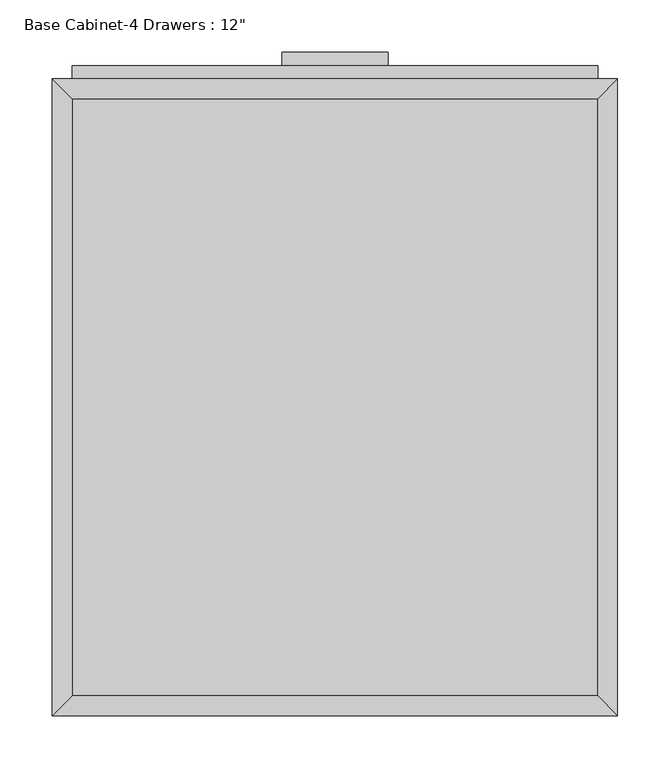
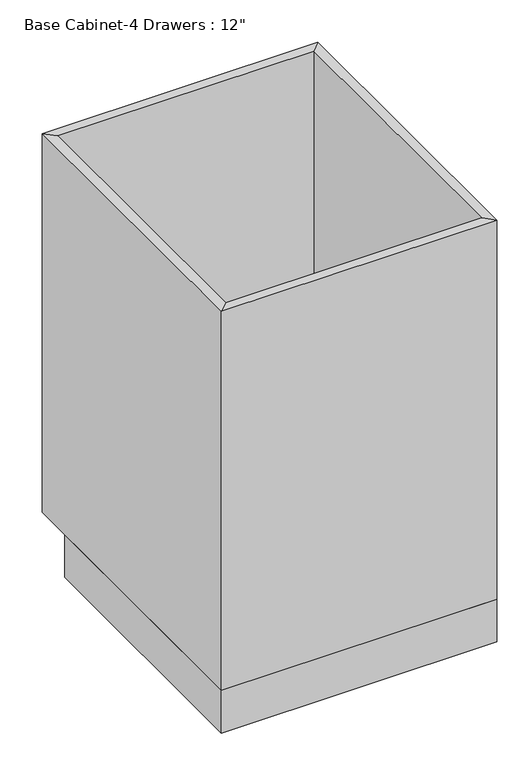
"""IFC4 building model written with IfcOpenShell, lengths in millimetres: furniture geometry."""

import ifcopenshell
import ifcopenshell.guid

model = None  # the IFC model being written
_history = None  # IfcOwnerHistory: only IFC2X3 demands one
_inside = {}  # id of a spatial element -> (the spatial element, [elements in it])
_under = {}  # id of a project, library or spatial element -> (it, [spatial elements below it])
_declared = {}  # id of a project -> (the project, [libraries it declares])
_typed = {}  # id of a type object -> (the type object, [elements of that type])
_made_of = {}  # id of a material, layer set ... -> (it, [elements and type objects made of it])


def new_model(schema):
    """Start an empty IFC model of exactly this schema.

    Asked for "IFC4X3", IfcOpenShell would pick the latest addendum, in which some entities
    have other attributes; the version numbers below select the first issue.
    IFC2X3 requires an IfcOwnerHistory on every rooted entity: one is made here for all.
    """
    global model, _history
    if schema == "IFC4X3":
        model = ifcopenshell.file(schema_version=(4, 3, 0, 0))
    else:
        model = ifcopenshell.file(schema=schema)
    _inside.clear()
    _under.clear()
    _declared.clear()
    _typed.clear()
    _made_of.clear()
    _history = None
    if model.schema == "IFC2X3":
        org = make("IfcOrganization", Name="unknown")
        user = make(
            "IfcPersonAndOrganization",
            ThePerson=make("IfcPerson", FamilyName="unknown"),
            TheOrganization=org,
        )
        app = make(
            "IfcApplication",
            ApplicationDeveloper=org,
            Version="unknown",
            ApplicationFullName="unknown",
            ApplicationIdentifier="unknown",
        )
        _history = make(
            "IfcOwnerHistory",
            OwningUser=user,
            OwningApplication=app,
            ChangeAction="ADDED",
            CreationDate=0,
        )
    return model


def make(cls, **values):
    """One entity of the class cls with the attributes given. An attribute that is None is left unset."""
    return model.create_entity(
        cls, **{name: value for name, value in values.items() if value is not None}
    )


def rooted(cls, **values):
    """An entity with a GlobalId (a new one), such as an element, a storey or a relation."""
    return make(cls, GlobalId=ifcopenshell.guid.new(), OwnerHistory=_history, **values)


def si_unit(unit_type, name, prefix=None):
    """IfcSIUnit, for example si_unit("LENGTHUNIT", "METRE", prefix="MILLI")."""
    return make("IfcSIUnit", UnitType=unit_type, Prefix=prefix, Name=name)


def assignment(units):
    """IfcUnitAssignment: the units of a project."""
    return None if units is None else make("IfcUnitAssignment", Units=units)


def point(xyz):
    """IfcCartesianPoint."""
    return None if xyz is None else make("IfcCartesianPoint", Coordinates=xyz)


def direction(xyz):
    """IfcDirection."""
    return None if xyz is None else make("IfcDirection", DirectionRatios=xyz)


def frame(location, z_axis=None, x_axis=None):
    """IfcAxis2Placement3D, a coordinate frame: its origin and axes. An axis left out is left unset."""
    return make(
        "IfcAxis2Placement3D",
        Location=point(location),
        Axis=direction(z_axis),
        RefDirection=direction(x_axis),
    )


def origin():
    """The frame at (0, 0, 0) with its axes left unset."""
    return frame((0.0, 0.0, 0.0))


def origin_with_axes():
    """The frame at (0, 0, 0) with the z axis (0, 0, 1) and the x axis (1, 0, 0) written out."""
    return frame((0.0, 0.0, 0.0), z_axis=(0.0, 0.0, 1.0), x_axis=(1.0, 0.0, 0.0))


def place(relative_to, where):
    """IfcLocalPlacement: puts the frame where relative to a parent placement (None: the world)."""
    return make(
        "IfcLocalPlacement", PlacementRelTo=relative_to, RelativePlacement=where
    )


def context(
    kind, dimensions, precision=None, world=None, true_north=None, identifier=None
):
    """IfcGeometricRepresentationContext, for example the 3D "Model" context."""
    return make(
        "IfcGeometricRepresentationContext",
        ContextIdentifier=identifier,
        ContextType=kind,
        CoordinateSpaceDimension=dimensions,
        Precision=precision,
        WorldCoordinateSystem=world,
        TrueNorth=true_north,
    )


def project(units=None, contexts=None):
    """IfcProject with its units and contexts."""
    return rooted(
        "IfcProject",
        Name="project",
        RepresentationContexts=contexts,
        UnitsInContext=assignment(units),
    )


def spatial(cls, under=None, at=None, **own):
    """A site, building, storey or space (cls), placed at a placement, below another one or the project."""
    s = rooted(cls, ObjectPlacement=at, **own)
    if under is not None:
        _under.setdefault(under.id(), (under, []))[1].append(s)
    return s


def polyline(points):
    """IfcPolyline through the points."""
    return make("IfcPolyline", Points=[point(p) for p in points])


def outline(outer, holes=None, kind="AREA"):
    """IfcArbitraryClosedProfileDef: a profile drawn as a closed curve; with holes, ...WithVoids."""
    if holes is None:
        return make("IfcArbitraryClosedProfileDef", ProfileType=kind, OuterCurve=outer)
    return make(
        "IfcArbitraryProfileDefWithVoids",
        ProfileType=kind,
        OuterCurve=outer,
        InnerCurves=holes,
    )


def extrude(swept, where, along, depth):
    """IfcExtrudedAreaSolid: the profile swept, set in the frame where, extruded along a direction by depth."""
    return make(
        "IfcExtrudedAreaSolid",
        SweptArea=swept,
        Position=where,
        ExtrudedDirection=direction(along),
        Depth=depth,
    )


def faces_of(points, faces, orient=None, outer=None):
    """IfcFace entities. A face is a list of loops; a loop is a list of indices into points, from 0.

    orient and outer hold one flag for each loop. By default every Orientation is true, the
    first loop of a face is its IfcFaceOuterBound and the others are IfcFaceBound.
    """
    made = []
    for i, loops in enumerate(faces):
        bounds = []
        for j, loop in enumerate(loops):
            is_outer = j == 0 if outer is None else outer[i][j]
            bounds.append(
                make(
                    "IfcFaceOuterBound" if is_outer else "IfcFaceBound",
                    Bound=make("IfcPolyLoop", Polygon=[points[k] for k in loop]),
                    Orientation=True if orient is None else orient[i][j],
                )
            )
        made.append(make("IfcFace", Bounds=bounds))
    return made


def faceted_brep(points, faces, orient=None, outer=None, voids=None):
    """IfcFacetedBrep: a solid bounded by flat faces; with voids (closed shells), ...WithVoids."""
    shared = [point(p) for p in points]
    hull = make("IfcClosedShell", CfsFaces=faces_of(shared, faces, orient, outer))
    if voids is None:
        return make("IfcFacetedBrep", Outer=hull)
    return make(
        "IfcFacetedBrepWithVoids",
        Outer=hull,
        Voids=[
            make(cls, CfsFaces=faces_of(shared, fs, o, b)) for cls, fs, o, b in voids
        ],
    )


def shape(context_of_items, identifier, shape_type, items):
    """IfcShapeRepresentation: the items that make up one representation, for example the "Body"."""
    return make(
        "IfcShapeRepresentation",
        ContextOfItems=context_of_items,
        RepresentationIdentifier=identifier,
        RepresentationType=shape_type,
        Items=items,
    )


def source(mapping_origin, context_of_items, identifier, shape_type, items):
    """IfcRepresentationMap: a shape defined once, which mapped items show again and again."""
    return make(
        "IfcRepresentationMap",
        MappingOrigin=mapping_origin,
        MappedRepresentation=shape(context_of_items, identifier, shape_type, items),
    )


def transform(
    local_origin,
    x_axis=None,
    y_axis=None,
    z_axis=None,
    scale=None,
    scale2=None,
    scale3=None,
    uniform=True,
):
    """IfcCartesianTransformationOperator3D, or its non-uniform kind. x_axis, y_axis, z_axis: its Axis1, 2, 3."""
    if uniform:
        return make(
            "IfcCartesianTransformationOperator3D",
            Axis1=direction(x_axis),
            Axis2=direction(y_axis),
            LocalOrigin=point(local_origin),
            Scale=scale,
            Axis3=direction(z_axis),
        )
    return make(
        "IfcCartesianTransformationOperator3DnonUniform",
        Axis1=direction(x_axis),
        Axis2=direction(y_axis),
        LocalOrigin=point(local_origin),
        Scale=scale,
        Axis3=direction(z_axis),
        Scale2=scale2,
        Scale3=scale3,
    )


def mapped(mapping_source, mapping_target):
    """IfcMappedItem: shows the shape of a source again, moved by a transform."""
    return make(
        "IfcMappedItem", MappingSource=mapping_source, MappingTarget=mapping_target
    )


def made_of(thing, what):
    """Note that an element or type object is made of a material, layer set ...; save() writes the relation."""
    if what is not None:
        _made_of.setdefault(what.id(), (what, []))[1].append(thing)
    return thing


def element(
    cls,
    number,
    at=None,
    inside=None,
    cuts=None,
    type_object=None,
    material=None,
    context=None,
    identifier="Body",
    shape_type=None,
    held_by="IfcProductDefinitionShape",
    body=None,
    shapes=None,
    **own,
):
    """One element of the class cls, such as IfcWall. Its Tag is "e" and its number.

    at: its placement. inside: the storey or other place that contains it. cuts: it is an
    opening in that element (IfcRelVoidsElement). A single representation is given by context,
    identifier, shape_type and body (its items); several are given by shapes. held_by: the class
    of the entity that holds the representations. save() writes the other relations.
    """
    e = rooted(cls, Tag="e%d" % number, ObjectPlacement=at, **own)
    if body is not None:
        shapes = [shape(context, identifier, shape_type, body)]
    if shapes is not None:
        e.Representation = make(held_by, Representations=shapes)
    if inside is not None:
        _inside.setdefault(inside.id(), (inside, []))[1].append(e)
    if cuts is not None:
        rooted(
            "IfcRelVoidsElement", RelatingBuildingElement=cuts, RelatedOpeningElement=e
        )
    if type_object is not None:
        _typed.setdefault(type_object.id(), (type_object, []))[1].append(e)
    return made_of(e, material)


def aggregate(whole, parts):
    """IfcRelAggregates: a whole, such as a stair, and the parts it consists of."""
    return rooted("IfcRelAggregates", RelatingObject=whole, RelatedObjects=parts)


def save(model, path):
    """Write the relations noted so far, then the file.

    IfcRelAggregates (storeys below a building ...), IfcRelContainedInSpatialStructure (elements
    in a storey), IfcRelDefinesByType, IfcRelAssociatesMaterial and IfcRelDeclares: one each for
    every whole, place, type object, material and project.
    """
    for whole, parts in _under.values():
        aggregate(whole, parts)
    for where, things in _inside.values():
        rooted(
            "IfcRelContainedInSpatialStructure",
            RelatedElements=things,
            RelatingStructure=where,
        )
    for kind, things in _typed.values():
        rooted("IfcRelDefinesByType", RelatedObjects=things, RelatingType=kind)
    for what, things in _made_of.values():
        rooted("IfcRelAssociatesMaterial", RelatedObjects=things, RelatingMaterial=what)
    for by, libraries in _declared.values():
        rooted("IfcRelDeclares", RelatingContext=by, RelatedDefinitions=libraries)
    model.write(path)


def furniture_06a0cd8b(model_context):
    return source(origin(), model_context, "Body", "SolidModel", [
        extrude(outline(polyline([(69.5377049, 635.0), (69.5377049, 622.3), (-32.0622951, 622.3), (-32.0622951, 635.0), (69.5377049, 635.0)])), frame((0.0, 0.0, 819.15), z_axis=(0.0, 0.0, 1.0), x_axis=(1.0, 0.0, 0.0)), (0.0, 0.0, 1.0), 12.7),
        extrude(outline(polyline([(69.5377049, 635.0), (69.5377049, 622.3), (-32.0622951, 622.3), (-32.0622951, 635.0), (69.5377049, 635.0)])), frame((0.0, 0.0, 698.5), z_axis=(0.0, 0.0, 1.0), x_axis=(1.0, 0.0, 0.0)), (0.0, 0.0, 1.0), 12.7),
        extrude(outline(polyline([(69.5377049, 635.0), (69.5377049, 622.3), (-32.0622951, 622.3), (-32.0622951, 635.0), (69.5377049, 635.0)])), frame((0.0, 0.0, 546.1), z_axis=(0.0, 0.0, 1.0), x_axis=(1.0, 0.0, 0.0)), (0.0, 0.0, 1.0), 12.7),
        extrude(outline(polyline([(69.5377049, 635.0), (69.5377049, 622.3), (-32.0622951, 622.3), (-32.0622951, 635.0), (69.5377049, 635.0)])), frame((0.0, 0.0, 393.7), z_axis=(0.0, 0.0, 1.0), x_axis=(1.0, 0.0, 0.0)), (0.0, 0.0, 1.0), 12.7),
        extrude(outline(polyline([(270.4445785, 622.3), (270.4445785, 609.6), (-232.9691687, 609.6), (-232.9691687, 622.3), (270.4445785, 622.3)])), frame((0.0, 0.0, 749.3), z_axis=(0.0, 0.0, 1.0), x_axis=(1.0, 0.0, 0.0)), (0.0, 0.0, 1.0), 107.95),
        extrude(outline(polyline([(270.4445785, 622.3), (270.4445785, 609.6), (-232.9691687, 609.6), (-232.9691687, 622.3), (270.4445785, 622.3)])), frame((0.0, 0.0, 596.9), z_axis=(0.0, 0.0, 1.0), x_axis=(1.0, 0.0, 0.0)), (0.0, 0.0, 1.0), 139.7),
        extrude(outline(polyline([(270.4445785, 622.3), (270.4445785, 609.6), (-232.9691687, 609.6), (-232.9691687, 622.3), (270.4445785, 622.3)])), frame((0.0, 0.0, 444.5), z_axis=(0.0, 0.0, 1.0), x_axis=(1.0, 0.0, 0.0)), (0.0, 0.0, 1.0), 139.7),
        extrude(outline(polyline([(270.4445785, 622.3), (270.4445785, 609.6), (-232.9691687, 609.6), (-232.9691687, 622.3), (270.4445785, 622.3)])), frame((0.0, 0.0, 120.65), z_axis=(0.0, 0.0, 1.0), x_axis=(1.0, 0.0, 0.0)), (0.0, 0.0, 1.0), 311.15),
        extrude(outline(polyline([(270.4445785, 19.05), (-232.9691687, 19.05), (-232.9691687, 590.55), (270.4445785, 590.55), (270.4445785, 19.05)])), frame((0.0, 0.0, 88.9), z_axis=(0.0, 0.0, 1.0), x_axis=(1.0, 0.0, 0.0)), (0.0, 0.0, 1.0), 19.05),
        faceted_brep([(270.4445785, 590.55, 876.3), (-232.9691687, 590.55, 876.3), (-232.9691687, 590.55, 88.9), (270.4445785, 590.55, 88.9), (289.4945785, 609.6, 876.3), (-252.0191687, 609.6, 876.3), (289.4945785, 609.6, 88.9), (-252.0191687, 609.6, 88.9), (-232.9691687, 19.05, 876.3), (-232.9691687, 19.05, 88.9), (-252.0191687, 0.0, 876.3), (-252.0191687, 0.0, 88.9), (270.4445785, 19.05, 876.3), (270.4445785, 19.05, 88.9), (289.4945785, 0.0, 876.3), (289.4945785, 0.0, 88.9)], [[[0, 1, 2, 3]], [[4, 5, 1, 0]], [[6, 7, 5, 4]], [[3, 2, 7, 6]], [[1, 8, 9, 2]], [[5, 10, 8, 1]], [[7, 11, 10, 5]], [[2, 9, 11, 7]], [[8, 12, 13, 9]], [[10, 14, 12, 8]], [[11, 15, 14, 10]], [[9, 13, 15, 11]], [[12, 0, 3, 13]], [[14, 4, 0, 12]], [[15, 6, 4, 14]], [[13, 3, 6, 15]]]),
        extrude(outline(polyline([(289.4945785, 0.0), (-252.0191687, 0.0), (-252.0191687, 533.4), (289.4945785, 533.4), (289.4945785, 0.0)])), origin_with_axes(), (0.0, 0.0, 1.0), 88.9),
    ])


if __name__ == "__main__":
    model = new_model("IFC4")
    model_context = context("Model", 3, world=origin())
    ifc_project = project(units=[si_unit("LENGTHUNIT", "METRE", prefix="MILLI")], contexts=[model_context])
    site = spatial("IfcSite", under=ifc_project)
    building = spatial("IfcBuilding", under=site)
    placement = place(None, origin())
    furniture_shape = furniture_06a0cd8b(model_context)
    element("IfcFurniture", 1, ObjectType="Base Cabinet-4 Drawers : 12\"", at=placement, inside=building, context=model_context, shape_type="MappedRepresentation", body=[
        mapped(furniture_shape, transform((0.0, 0.0, 0.0), x_axis=(1.0, 0.0, 0.0), y_axis=(0.0, 1.0, 0.0), z_axis=(0.0, 0.0, 1.0))),
    ])
    save(model, "model.ifc")
